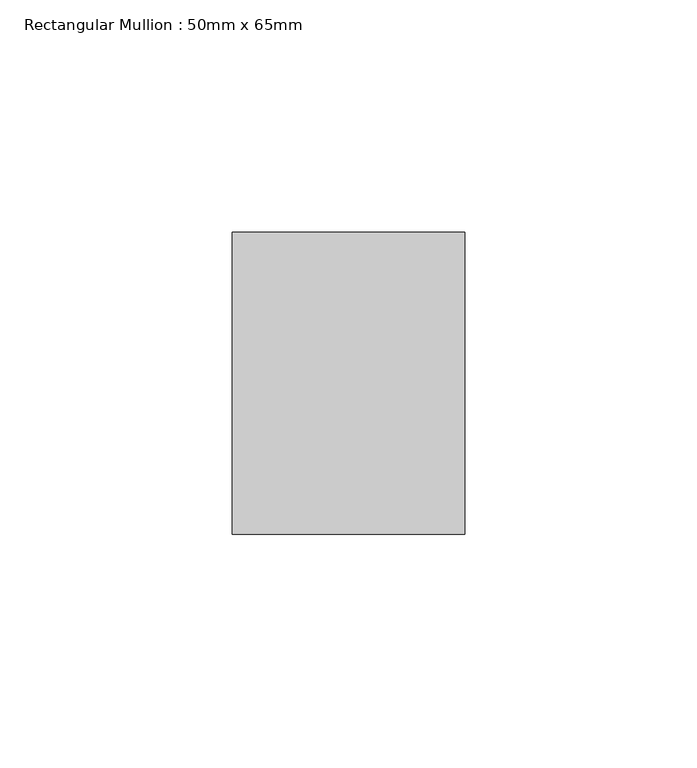
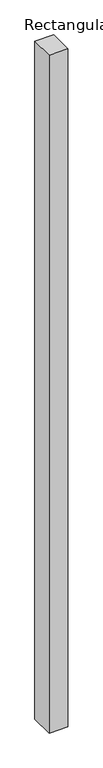
"""IFC4 building model written with IfcOpenShell, lengths in millimetres: member geometry, Rectangular Mullion : 50mm x 65mm."""

from ifc_helpers import new_model, si_unit, frame, origin, place, context, project, spatial, polyline, outline, extrude, source, transform, mapped, element, save


def rectangular_mullion_50mm_x_65mm_48f319bd(model_context):
    return source(origin(), model_context, "Body", "SweptSolid", [
        extrude(outline(polyline([(25.0, 32.5), (25.0, -32.5), (-25.0, -32.5), (-25.0, 32.5), (25.0, 32.5)])), frame((0.0, 0.0, -1897.7007841), z_axis=(0.0, 0.0, 1.0), x_axis=(1.0, 0.0, 0.0)), (0.0, 0.0, 1.0), 1897.7007841),
    ])


if __name__ == "__main__":
    model = new_model("IFC4")
    model_context = context("Model", 3, world=origin())
    ifc_project = project(units=[si_unit("LENGTHUNIT", "METRE", prefix="MILLI")], contexts=[model_context])
    site = spatial("IfcSite", under=ifc_project)
    building = spatial("IfcBuilding", under=site)
    placement = place(None, origin())
    rectangular_mullion_50mm_x_65mm_shape = rectangular_mullion_50mm_x_65mm_48f319bd(model_context)
    element("IfcMember", 1, ObjectType="Rectangular Mullion : 50mm x 65mm", at=placement, inside=building, context=model_context, shape_type="MappedRepresentation", body=[
        mapped(rectangular_mullion_50mm_x_65mm_shape, transform((0.0, 0.0, 0.0), x_axis=(1.0, 0.0, 0.0), y_axis=(0.0, 1.0, 0.0), z_axis=(0.0, 0.0, 1.0))),
    ])
    save(model, "model.ifc")
